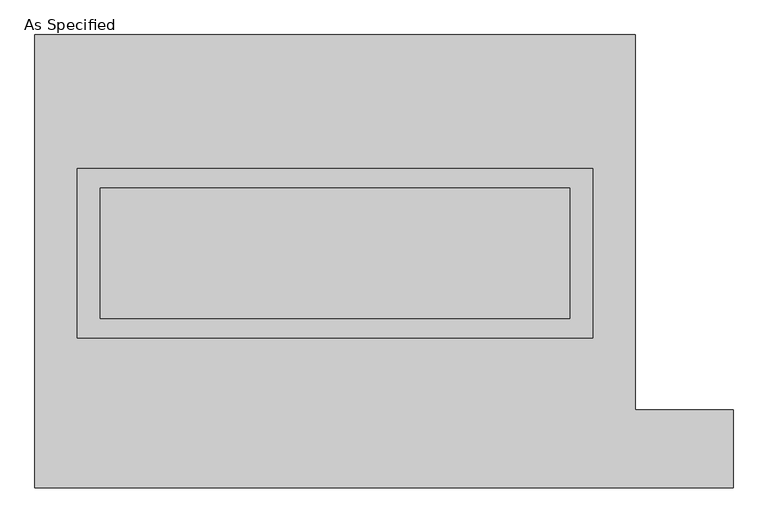
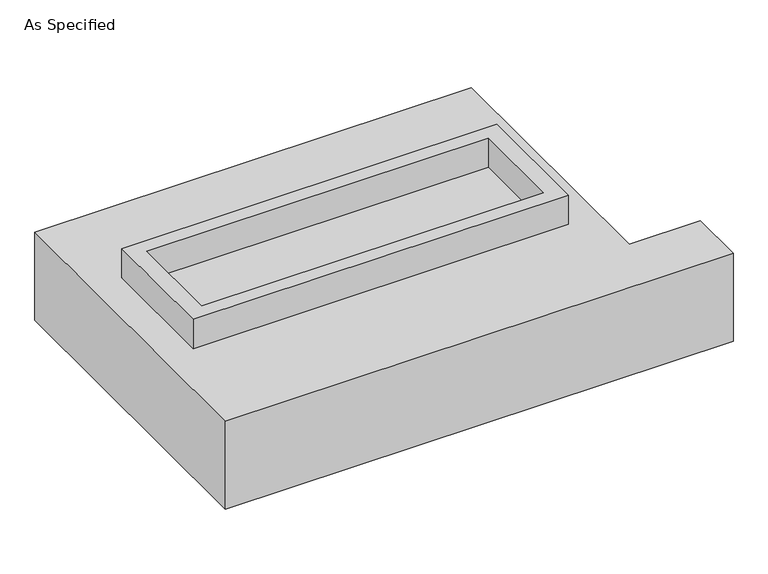
"""IFC4 building model written with IfcOpenShell, lengths in millimetres: proxy geometry, As Specified."""

from ifc_helpers import new_model, si_unit, frame, origin, place, context, project, spatial, polyline, outline, extrude, source, transform, mapped, element, save


def as_specified_f1ae4419(model_context):
    return source(origin(), model_context, "Body", "SweptSolid", [
        extrude(outline(polyline([(1003.3, 361.95), (1003.3, -298.45), (-1003.3, -298.45), (-1003.3, 361.95), (1003.3, 361.95)]), holes=[polyline([(914.4, 285.75), (-914.4, 285.75), (-914.4, -222.25), (914.4, -222.25), (914.4, 285.75)])]), frame((0.0, 0.0, -688.975), z_axis=(0.0, 0.0, 1.0), x_axis=(1.0, 0.0, 0.0)), (0.0, 0.0, 1.0), 165.1),
        extrude(outline(polyline([(1003.3, 361.95), (1003.3, -298.45), (-1003.3, -298.45), (-1003.3, 361.95), (1003.3, 361.95)]), holes=[polyline([(914.4, 285.75), (-914.4, 285.75), (-914.4, -222.25), (914.4, -222.25), (914.4, 285.75)])]), frame((0.0, 0.0, -25.4), z_axis=(0.0, 0.0, 1.0), x_axis=(1.0, 0.0, 0.0)), (0.0, 0.0, 1.0), 165.1),
        extrude(outline(polyline([(914.4, 285.75), (914.4, -222.25), (-914.4, -222.25), (-914.4, 285.75), (914.4, 285.75)])), frame((0.0, 0.0, -523.875), z_axis=(0.0, 0.0, 1.0), x_axis=(1.0, 0.0, 0.0)), (0.0, 0.0, 1.0), 4.9609375),
        extrude(outline(polyline([(914.4, 285.75), (914.4, -222.25), (-914.4, -222.25), (-914.4, 285.75), (914.4, 285.75)])), frame((0.0, 0.0, -30.3609375), z_axis=(0.0, 0.0, 1.0), x_axis=(1.0, 0.0, 0.0)), (0.0, 0.0, 1.0), 4.9609375),
        extrude(outline(polyline([(-1168.4, 882.65), (1168.4, 882.65), (1168.4, -577.85), (1549.4, -577.85), (1549.4, -882.65), (-1168.4, -882.65), (-1168.4, 882.65)]), holes=[polyline([(-1003.3, 361.95), (-1003.3, -298.45), (1003.3, -298.45), (1003.3, 361.95), (-1003.3, 361.95)])]), frame((0.0, 0.0, -523.875), z_axis=(0.0, 0.0, 1.0), x_axis=(1.0, 0.0, 0.0)), (0.0, 0.0, 1.0), 498.475),
    ])


if __name__ == "__main__":
    model = new_model("IFC4")
    model_context = context("Model", 3, world=origin())
    ifc_project = project(units=[si_unit("LENGTHUNIT", "METRE", prefix="MILLI")], contexts=[model_context])
    site = spatial("IfcSite", under=ifc_project)
    building = spatial("IfcBuilding", under=site)
    placement = place(None, origin())
    as_specified_shape = as_specified_f1ae4419(model_context)
    element("IfcBuildingElementProxy", 1, Name="As Specified", ObjectType="As Specified", at=placement, inside=building, context=model_context, shape_type="MappedRepresentation", body=[
        mapped(as_specified_shape, transform((0.0, 0.0, 0.0), x_axis=(1.0, 0.0, 0.0), y_axis=(0.0, 1.0, 0.0), z_axis=(0.0, 0.0, 1.0))),
    ])
    save(model, "model.ifc")
